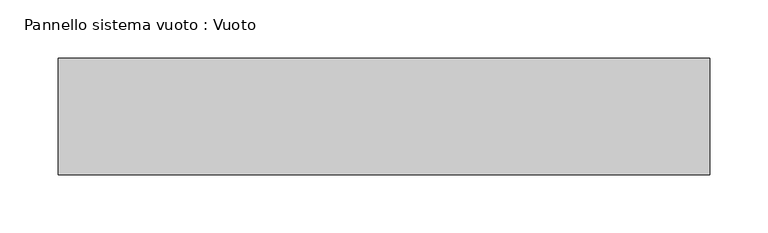
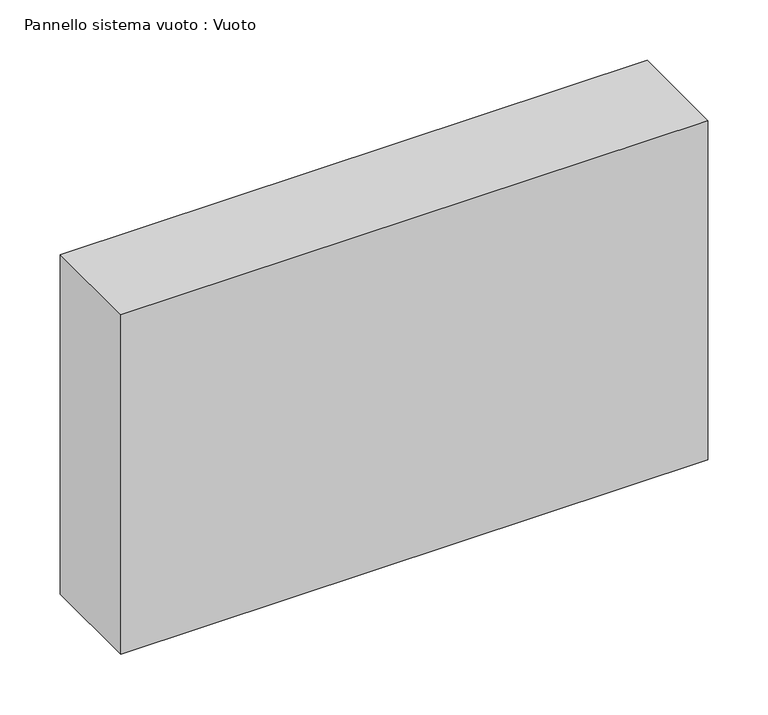
"""IFC4 building model written with IfcOpenShell, lengths in millimetres: plate geometry, Pannello sistema vuoto : Vuoto."""

from ifc_helpers import new_model, si_unit, origin, origin_with_axes, place, context, project, spatial, polyline, outline, extrude, source, transform, mapped, element, save


def pannello_sistema_vuoto_vuoto_a34d9b0d(model_context):
    return source(origin(), model_context, "Body", "SweptSolid", [
        extrude(outline(polyline([(280.0, 50.0), (-280.0, 50.0), (-280.0, 150.0), (280.0, 150.0), (280.0, 50.0)])), origin_with_axes(), (0.0, 0.0, 1.0), 342.4474782),
    ])


if __name__ == "__main__":
    model = new_model("IFC4")
    model_context = context("Model", 3, world=origin())
    ifc_project = project(units=[si_unit("LENGTHUNIT", "METRE", prefix="MILLI")], contexts=[model_context])
    site = spatial("IfcSite", under=ifc_project)
    building = spatial("IfcBuilding", under=site)
    placement = place(None, origin())
    pannello_sistema_vuoto_vuoto_shape = pannello_sistema_vuoto_vuoto_a34d9b0d(model_context)
    element("IfcPlate", 1, ObjectType="Pannello sistema vuoto : Vuoto", at=placement, inside=building, context=model_context, shape_type="MappedRepresentation", body=[
        mapped(pannello_sistema_vuoto_vuoto_shape, transform((0.0, 0.0, 0.0), x_axis=(1.0, 0.0, 0.0), y_axis=(0.0, 1.0, 0.0), z_axis=(0.0, 0.0, 1.0))),
    ])
    save(model, "model.ifc")
